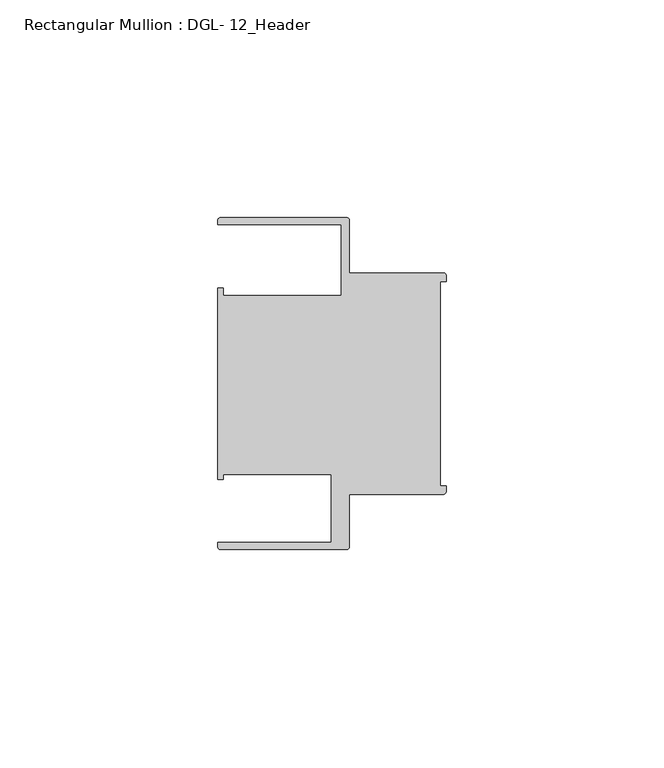
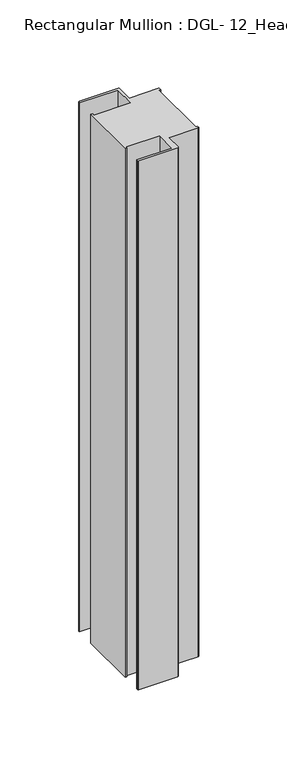
"""IFC4 building model written with IfcOpenShell, lengths in millimetres: member geometry, Rectangular Mullion : DGL- 12_Header."""

from ifc_helpers import new_model, si_unit, point, frame, frame_2d, origin, place, context, project, spatial, polyline, circle_curve, trimmed, segment, composite_curve, outline, extrude, source, transform, mapped, element, save


def rectangular_mullion_dgl_12_header_e1f80e47(model_context):
    return source(origin(), model_context, "Body", "SweptSolid", [
        extrude(outline(composite_curve([segment(trimmed(circle_curve(frame_2d((-0.5953125, 24.8046875)), 0.5953125), [point((-0.5953125, 25.4))], [point((0.0, 24.8046875))], False, "CARTESIAN"), True, "CONTINUOUS"), segment(polyline([(0.0, 24.8046875), (0.0, 23.4882401), (-1.30175, 23.4882401), (-1.30175, -23.4882401), (0.0, -23.4882401), (0.0, -24.8046875)]), True, "CONTINUOUS"), segment(trimmed(circle_curve(frame_2d((-0.5953125, -24.8046875)), 0.5953125), [point((0.0, -24.8046875))], [point((-0.5953125, -25.4))], False, "CARTESIAN"), True, "CONTINUOUS"), segment(polyline([(-0.5953125, -25.4), (-22.2332076, -25.4), (-22.2332076, -37.5047035)]), True, "CONTINUOUS"), segment(trimmed(circle_curve(frame_2d((-22.8285201, -37.5047035)), 0.5953125), [point((-22.2332076, -37.5047035))], [point((-22.8285201, -38.100016))], False, "CARTESIAN"), True, "CONTINUOUS"), segment(polyline([(-22.8285201, -38.100016), (-51.7968699, -38.100016)]), True, "CONTINUOUS"), segment(trimmed(circle_curve(frame_2d((-51.7968699, -37.5047035)), 0.5953125), [point((-51.7968699, -38.100016))], [point((-52.3921824, -37.5047035))], False, "CARTESIAN"), True, "CONTINUOUS"), segment(polyline([(-52.3921824, -37.5047035), (-52.3921824, -36.512516), (-26.3720794, -36.512516), (-26.3720794, -20.8257348), (-51.1280305, -20.8257348), (-51.1280305, -21.9710976), (-52.3948122, -21.9710976), (-52.3948122, 21.9710976), (-51.1280305, 21.9710976), (-51.1280305, 20.1823589), (-24.0747075, 20.1823589), (-24.0747075, 36.5123462), (-52.3921824, 36.5123462), (-52.3921824, 37.5043667)]), True, "CONTINUOUS"), segment(trimmed(circle_curve(frame_2d((-51.7968699, 37.5043667)), 0.5953125), [point((-52.3921824, 37.5043667))], [point((-51.7968699, 38.0996792))], False, "CARTESIAN"), True, "CONTINUOUS"), segment(polyline([(-51.7968699, 38.0996792), (-22.8285201, 38.0996792)]), True, "CONTINUOUS"), segment(trimmed(circle_curve(frame_2d((-22.8285201, 37.5043667)), 0.5953125), [point((-22.8285201, 38.0996792))], [point((-22.2332076, 37.5043667))], False, "CARTESIAN"), True, "CONTINUOUS"), segment(polyline([(-22.2332076, 37.5043667), (-22.2332076, 25.4), (-0.5953125, 25.4)]), True, "CONTINUOUS")], self_intersect=False)), frame((0.0, 0.0, -412.75), z_axis=(0.0, 0.0, 1.0), x_axis=(1.0, 0.0, 0.0)), (0.0, 0.0, 1.0), 412.75),
    ])


if __name__ == "__main__":
    model = new_model("IFC4")
    model_context = context("Model", 3, world=origin())
    ifc_project = project(units=[si_unit("LENGTHUNIT", "METRE", prefix="MILLI")], contexts=[model_context])
    site = spatial("IfcSite", under=ifc_project)
    building = spatial("IfcBuilding", under=site)
    placement = place(None, origin())
    rectangular_mullion_dgl_12_header_shape = rectangular_mullion_dgl_12_header_e1f80e47(model_context)
    element("IfcMember", 1, ObjectType="Rectangular Mullion : DGL- 12_Header", at=placement, inside=building, context=model_context, shape_type="MappedRepresentation", body=[
        mapped(rectangular_mullion_dgl_12_header_shape, transform((0.0, 0.0, 0.0), x_axis=(1.0, 0.0, 0.0), y_axis=(0.0, 1.0, 0.0), z_axis=(0.0, 0.0, 1.0))),
    ])
    save(model, "model.ifc")
